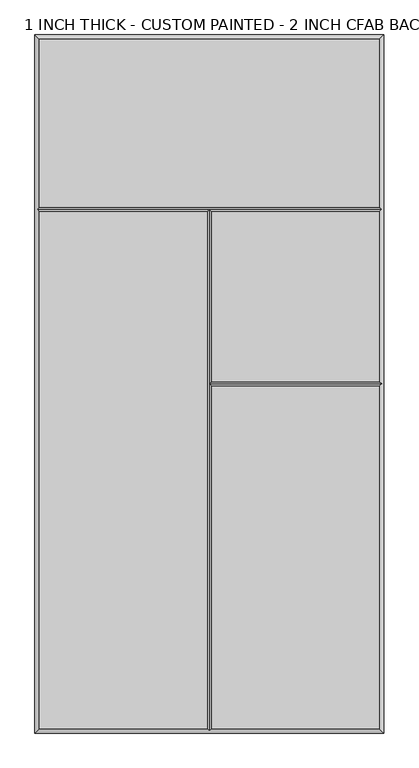
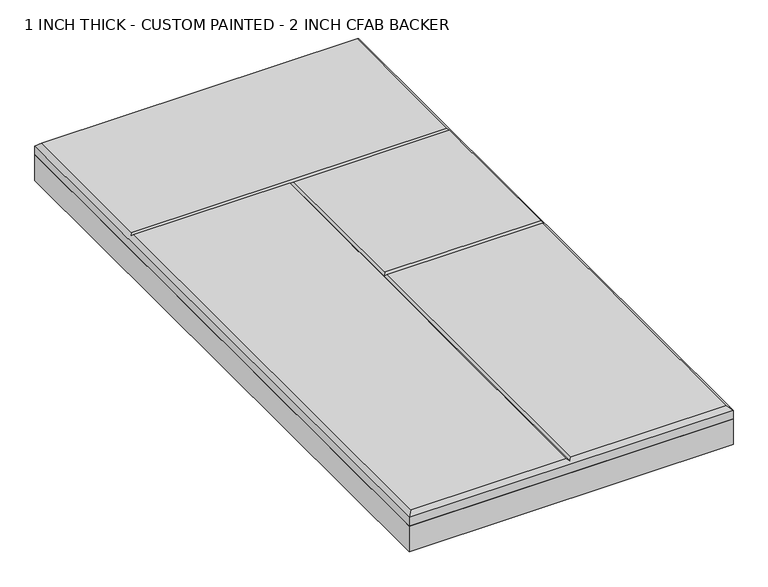
"""IFC4 building model written with IfcOpenShell, lengths in millimetres: proxy geometry, 1 INCH THICK - CUSTOM PAINTED - 2 INCH CFAB BACKER."""

from ifc_helpers import new_model, si_unit, frame, origin, place, context, project, spatial, polyline, outline, extrude, faceted_brep, source, transform, mapped, element, save


def proxy_1_inch_thick_custom_painted_2_inch_cfab_backer_d619f453(model_context):
    return source(origin(), model_context, "Body", "SolidModel", [
        extrude(outline(polyline([(-304.8, 609.6), (304.8, 609.6), (304.8, -609.6), (-304.8, -609.6), (-304.8, 609.6)])), frame((0.0, 0.0, -50.8), z_axis=(0.0, 0.0, 1.0), x_axis=(1.0, 0.0, 0.0)), (0.0, 0.0, 1.0), 50.8),
        faceted_brep([(296.799, 601.599, 25.4), (-296.799, 601.599, 25.4), (-296.799, 308.8005, 25.4), (296.799, 308.8005, 25.4), (-296.799, 300.7995, 25.4), (-296.799, -601.599, 25.4), (-4.0005, -601.599, 25.4), (-4.0005, 300.7995, 25.4), (4.0005, -601.599, 25.4), (296.799, -601.599, 25.4), (296.799, -4.0005, 25.4), (4.0005, -4.0005, 25.4), (296.799, 300.7995, 25.4), (4.0005, 300.7995, 25.4), (4.0005, 4.0005, 25.4), (296.799, 4.0005, 25.4), (-304.8, 609.6, 0.0), (304.8, 609.6, 0.0), (304.8, -609.6, 0.0), (-304.8, -609.6, 0.0), (-304.8, -609.6, 17.399), (-304.8, 609.6, 17.399), (304.8, -609.6, 17.399), (304.8, 609.6, 17.399), (-300.7995, 304.8, 21.3995), (0.0, -605.5995, 21.3995), (300.7995, 304.8, 21.3995), (300.7995, 0.0, 21.3995), (0.0, 304.8, 21.3995), (0.0, 0.0, 21.3995)], [[[0, 1, 2, 3]], [[4, 5, 6, 7]], [[8, 9, 10, 11]], [[12, 13, 14, 15]], [[16, 17, 18, 19]], [[16, 19, 20, 21]], [[19, 18, 22, 20]], [[18, 17, 23, 22]], [[17, 16, 21, 23]], [[21, 1, 0, 23]], [[1, 21, 20, 5, 4, 24, 2]], [[5, 20, 22, 9, 8, 25, 6]], [[23, 0, 3, 26, 12, 15, 27, 10, 9, 22]], [[24, 4, 7, 28]], [[12, 26, 28, 13]], [[3, 2, 24, 28, 26]], [[25, 8, 11, 29]], [[13, 28, 29, 14]], [[7, 6, 25, 29, 28]], [[27, 29, 11, 10]], [[29, 27, 15, 14]]]),
    ])


if __name__ == "__main__":
    model = new_model("IFC4")
    model_context = context("Model", 3, world=origin())
    ifc_project = project(units=[si_unit("LENGTHUNIT", "METRE", prefix="MILLI")], contexts=[model_context])
    site = spatial("IfcSite", under=ifc_project)
    building = spatial("IfcBuilding", under=site)
    placement = place(None, origin())
    proxy_1_inch_thick_custom_painted_2_inch_cfab_backer_shape = proxy_1_inch_thick_custom_painted_2_inch_cfab_backer_d619f453(model_context)
    element("IfcBuildingElementProxy", 1, Name="1 INCH THICK - CUSTOM PAINTED - 2 INCH CFAB BACKER", ObjectType="1 INCH THICK - CUSTOM PAINTED - 2 INCH CFAB BACKER", at=placement, inside=building, context=model_context, shape_type="MappedRepresentation", body=[
        mapped(proxy_1_inch_thick_custom_painted_2_inch_cfab_backer_shape, transform((0.0, 0.0, 0.0), x_axis=(1.0, 0.0, 0.0), y_axis=(0.0, 1.0, 0.0), z_axis=(0.0, 0.0, 1.0))),
    ])
    save(model, "model.ifc")
